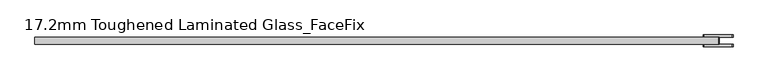
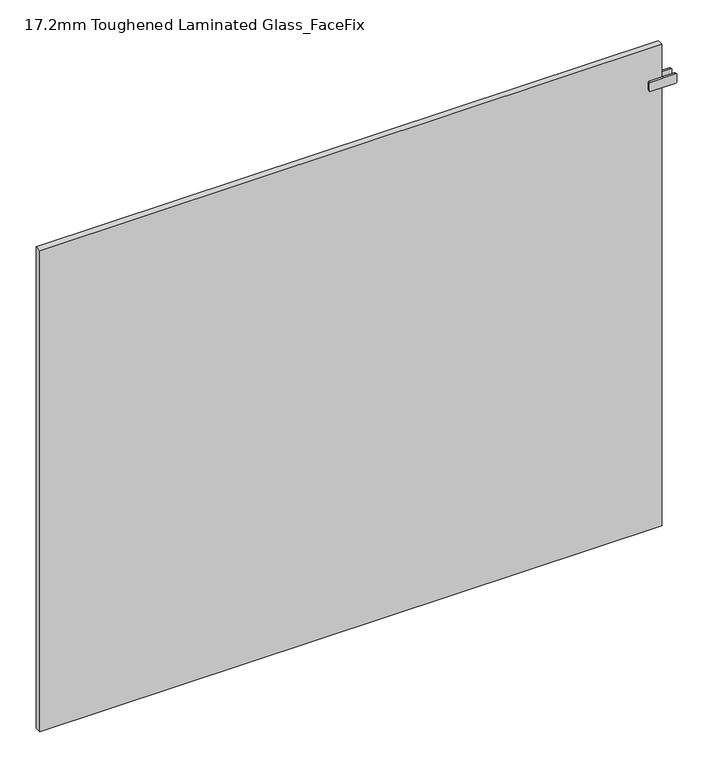
"""IFC4 building model written with IfcOpenShell, lengths in millimetres: plate geometry, 17.2mm Toughened Laminated Glass_FaceFix."""

from ifc_helpers import new_model, si_unit, point, frame, frame_2d, origin, origin_with_axes, place, context, project, spatial, polyline, circle_curve, trimmed, segment, composite_curve, outline, extrude, source, transform, mapped, element, save


def plate_17_2mm_toughened_laminated_glass_facefix_35132e7d(model_context):
    return source(origin(), model_context, "Body", "SweptSolid", [
        extrude(outline(polyline([(797.5000001, -40.6), (792.5000001, -40.6), (792.5000001, -23.4), (797.5000001, -23.4), (797.5000001, -40.6)])), frame((0.0, 0.0, 1187.5), z_axis=(0.0, 0.0, 1.0), x_axis=(1.0, 0.0, 0.0)), (0.0, 0.0, 1.0), 25.0),
        extrude(outline(composite_curve([segment(polyline([(1187.5, 763.0000001), (1187.5, 827.0000001)]), True, "CONTINUOUS"), segment(trimmed(circle_curve(frame_2d((1190.5, 827.0000001)), 3.0), [point((1187.5, 827.0000001))], [point((1190.5, 830.0000001))], False, "CARTESIAN"), True, "CONTINUOUS"), segment(polyline([(1190.5, 830.0000001), (1209.5, 830.0000001)]), True, "CONTINUOUS"), segment(trimmed(circle_curve(frame_2d((1209.5, 827.0000001)), 3.0), [point((1209.5, 830.0000001))], [point((1212.5, 827.0000001))], False, "CARTESIAN"), True, "CONTINUOUS"), segment(polyline([(1212.5, 827.0000001), (1212.5, 763.0000001)]), True, "CONTINUOUS"), segment(trimmed(circle_curve(frame_2d((1209.5, 763.0000001)), 3.0), [point((1212.5, 763.0000001))], [point((1209.5, 760.0000001))], False, "CARTESIAN"), True, "CONTINUOUS"), segment(polyline([(1209.5, 760.0000001), (1190.5, 760.0000001)]), True, "CONTINUOUS"), segment(trimmed(circle_curve(frame_2d((1190.5, 763.0000001)), 3.0), [point((1190.5, 760.0000001))], [point((1187.5, 763.0000001))], False, "CARTESIAN"), True, "CONTINUOUS")], self_intersect=False)), frame((0.0, -23.4, 0.0), z_axis=(0.0, 1.0, 0.0), x_axis=(0.0, 0.0, 1.0)), (0.0, 0.0, 1.0), 5.0),
        extrude(outline(composite_curve([segment(polyline([(1187.5, 763.0000001), (1187.5, 827.0000001)]), True, "CONTINUOUS"), segment(trimmed(circle_curve(frame_2d((1190.5, 827.0000001)), 3.0), [point((1187.5, 827.0000001))], [point((1190.5, 830.0000001))], False, "CARTESIAN"), True, "CONTINUOUS"), segment(polyline([(1190.5, 830.0000001), (1209.5, 830.0000001)]), True, "CONTINUOUS"), segment(trimmed(circle_curve(frame_2d((1209.5, 827.0000001)), 3.0), [point((1209.5, 830.0000001))], [point((1212.5, 827.0000001))], False, "CARTESIAN"), True, "CONTINUOUS"), segment(polyline([(1212.5, 827.0000001), (1212.5, 763.0000001)]), True, "CONTINUOUS"), segment(trimmed(circle_curve(frame_2d((1209.5, 763.0000001)), 3.0), [point((1212.5, 763.0000001))], [point((1209.5, 760.0000001))], False, "CARTESIAN"), True, "CONTINUOUS"), segment(polyline([(1209.5, 760.0000001), (1190.5, 760.0000001)]), True, "CONTINUOUS"), segment(trimmed(circle_curve(frame_2d((1190.5, 763.0000001)), 3.0), [point((1190.5, 760.0000001))], [point((1187.5, 763.0000001))], False, "CARTESIAN"), True, "CONTINUOUS")], self_intersect=False)), frame((0.0, -45.6, 0.0), z_axis=(0.0, 1.0, 0.0), x_axis=(0.0, 0.0, 1.0)), (0.0, 0.0, 1.0), 5.0),
        extrude(outline(polyline([(795.0000001, -23.4), (795.0000001, -40.6), (-795.0000001, -40.6), (-795.0000001, -23.4), (795.0000001, -23.4)])), origin_with_axes(), (0.0, 0.0, 1.0), 1300.0),
    ])


if __name__ == "__main__":
    model = new_model("IFC4")
    model_context = context("Model", 3, world=origin())
    ifc_project = project(units=[si_unit("LENGTHUNIT", "METRE", prefix="MILLI")], contexts=[model_context])
    site = spatial("IfcSite", under=ifc_project)
    building = spatial("IfcBuilding", under=site)
    placement = place(None, origin())
    plate_17_2mm_toughened_laminated_glass_facefix_shape = plate_17_2mm_toughened_laminated_glass_facefix_35132e7d(model_context)
    element("IfcPlate", 1, ObjectType="17.2mm Toughened Laminated Glass_FaceFix", at=placement, inside=building, context=model_context, shape_type="MappedRepresentation", body=[
        mapped(plate_17_2mm_toughened_laminated_glass_facefix_shape, transform((0.0, 0.0, 0.0), x_axis=(1.0, 0.0, 0.0), y_axis=(0.0, 1.0, 0.0), z_axis=(0.0, 0.0, 1.0))),
    ])
    save(model, "model.ifc")
